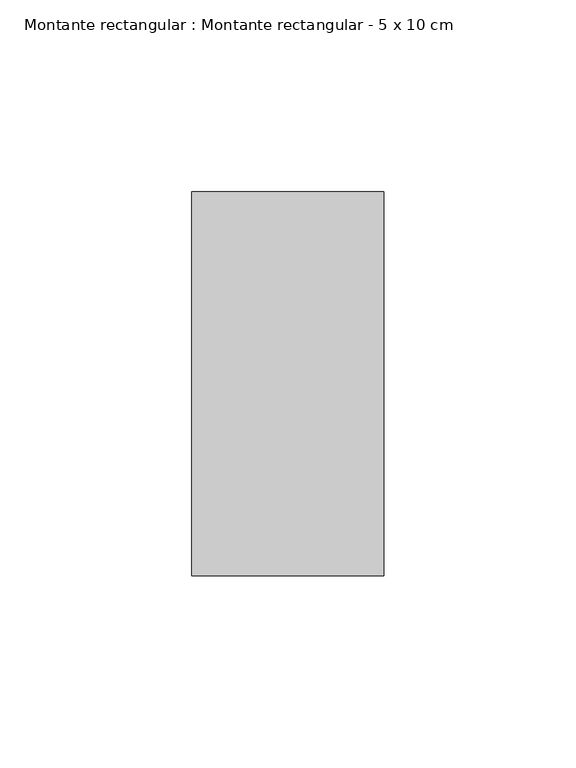
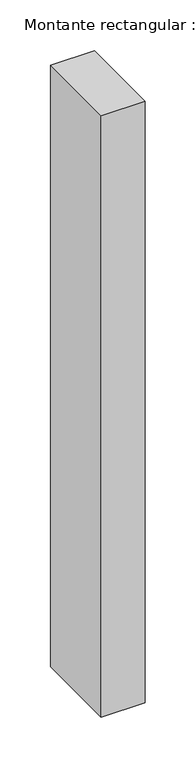
"""IFC4 building model written with IfcOpenShell, lengths in millimetres: member geometry, Montante rectangular : Montante rectangular - 5 x 10 cm."""

from ifc_helpers import new_model, si_unit, frame, origin, place, context, project, spatial, polyline, outline, extrude, source, transform, mapped, element, save


def montante_rectangular_montante_rectangular_5_x_10_cm_2c56bfec(model_context):
    return source(origin(), model_context, "Body", "SweptSolid", [
        extrude(outline(polyline([(0.0, 50.0), (0.0, -50.0), (-50.0, -50.0), (-50.0, 50.0), (0.0, 50.0)])), frame((0.0, 0.0, -723.7704445), z_axis=(0.0, 0.0, 1.0), x_axis=(1.0, 0.0, 0.0)), (0.0, 0.0, 1.0), 723.7704445),
    ])


if __name__ == "__main__":
    model = new_model("IFC4")
    model_context = context("Model", 3, world=origin())
    ifc_project = project(units=[si_unit("LENGTHUNIT", "METRE", prefix="MILLI")], contexts=[model_context])
    site = spatial("IfcSite", under=ifc_project)
    building = spatial("IfcBuilding", under=site)
    placement = place(None, origin())
    montante_rectangular_montante_rectangular_5_x_10_cm_shape = montante_rectangular_montante_rectangular_5_x_10_cm_2c56bfec(model_context)
    element("IfcMember", 1, ObjectType="Montante rectangular : Montante rectangular - 5 x 10 cm", at=placement, inside=building, context=model_context, shape_type="MappedRepresentation", body=[
        mapped(montante_rectangular_montante_rectangular_5_x_10_cm_shape, transform((0.0, 0.0, 0.0), x_axis=(1.0, 0.0, 0.0), y_axis=(0.0, 1.0, 0.0), z_axis=(0.0, 0.0, 1.0))),
    ])
    save(model, "model.ifc")
